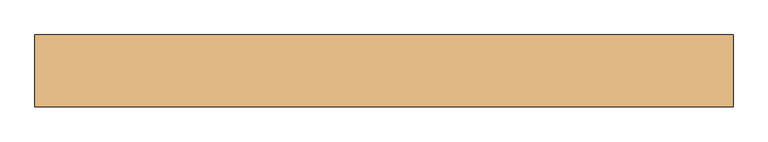
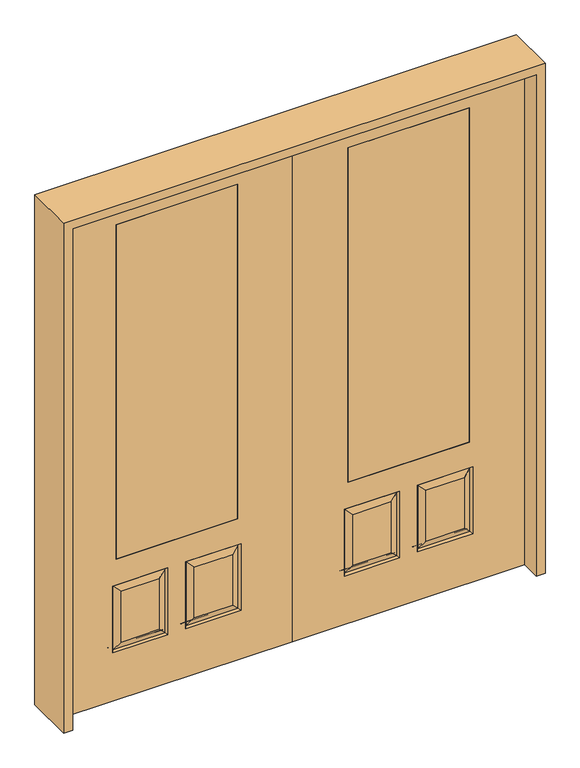
"""IFC4 building model written with IfcOpenShell, lengths in millimetres: door geometry."""

from ifc_helpers import new_model, si_unit, frame, origin, place, context, project, spatial, polyline, outline, extrude, faceted_brep, source, transform, mapped, element, save


def door_dd65ab80(model_context):
    return source(origin(), model_context, "Body", "SolidModel", [
        faceted_brep([(254.0, -20.6375, 685.8), (254.0, 20.6375, 685.8), (254.0, 20.6375, 2311.4), (254.0, -20.6375, 2311.4), (812.8, -20.6375, 685.8), (812.8, 20.6375, 685.8), (613.5727627, -20.6375, 273.8477627), (789.7772373, -20.6375, 273.8477627), (789.7772373, -20.6375, 520.4102373), (613.5727627, -20.6375, 520.4102373), (277.0227627, -20.6375, 273.8477627), (453.2272373, -20.6375, 273.8477627), (453.2272373, -20.6375, 520.4102373), (277.0227627, -20.6375, 520.4102373), (1066.8, -20.6375, 2438.4), (0.0, -20.6375, 2438.4), (0.0, -20.6375, 0.0), (1066.8, -20.6375, 0.0), (812.8, -20.6375, 2311.4), (828.675, -20.6375, 234.95), (574.675, -20.6375, 234.95), (574.675, -20.6375, 559.308), (828.675, -20.6375, 559.308), (492.125, -20.6375, 234.95), (238.125, -20.6375, 234.95), (238.125, -20.6375, 559.308), (492.125, -20.6375, 559.308), (812.8, 20.6375, 2311.4), (453.2272373, 20.6375, 273.8477627), (277.0227627, 20.6375, 273.8477627), (277.0227627, 20.6375, 520.4102373), (453.2272373, 20.6375, 520.4102373), (789.7772373, 20.6375, 273.8477627), (613.5727627, 20.6375, 273.8477627), (613.5727627, 20.6375, 520.4102373), (789.7772373, 20.6375, 520.4102373), (0.0, 20.6375, 2438.4), (1066.8, 20.6375, 2438.4), (1066.8, 20.6375, 0.0), (0.0, 20.6375, 0.0), (238.125, 20.6375, 234.95), (492.125, 20.6375, 234.95), (492.125, 20.6375, 559.308), (238.125, 20.6375, 559.308), (574.675, 20.6375, 234.95), (828.675, 20.6375, 234.95), (828.675, 20.6375, 559.308), (574.675, 20.6375, 559.308), (821.2714647, -11.4399763, 242.3535353), (582.0785353, -11.4399763, 242.3535353), (582.0785353, -11.4399763, 551.9044647), (821.2714647, -11.4399763, 551.9044647), (484.7214647, -11.4399763, 242.3535353), (245.5285353, -11.4399763, 242.3535353), (245.5285353, -11.4399763, 551.9044647), (484.7214647, -11.4399763, 551.9044647), (245.5285353, 11.4399763, 242.3535353), (484.7214647, 11.4399763, 242.3535353), (484.7214647, 11.4399763, 551.9044647), (245.5285353, 11.4399763, 551.9044647), (582.0785353, 11.4399763, 242.3535353), (821.2714647, 11.4399763, 242.3535353), (821.2714647, 11.4399763, 551.9044647), (582.0785353, 11.4399763, 551.9044647)], [[[0, 1, 2, 3]], [[1, 0, 4, 5]], [[6, 7, 8, 9]], [[10, 11, 12, 13]], [[14, 15, 16, 17], [4, 0, 3, 18], [19, 20, 21, 22], [23, 24, 25, 26]], [[5, 4, 18, 27]], [[28, 29, 30, 31]], [[32, 33, 34, 35]], [[36, 37, 38, 39], [1, 5, 27, 2], [40, 41, 42, 43], [44, 45, 46, 47]], [[39, 38, 17, 16]], [[37, 14, 17, 38]], [[15, 36, 39, 16]], [[19, 48, 49, 20]], [[20, 49, 50, 21]], [[51, 22, 21, 50]], [[48, 19, 22, 51]], [[49, 48, 7, 6]], [[7, 48, 51, 8]], [[8, 51, 50, 9]], [[49, 6, 9, 50]], [[52, 53, 24, 23]], [[24, 53, 54, 25]], [[25, 54, 55, 26]], [[52, 23, 26, 55]], [[53, 52, 11, 10]], [[11, 52, 55, 12]], [[54, 13, 12, 55]], [[53, 10, 13, 54]], [[40, 56, 57, 41]], [[41, 57, 58, 42]], [[59, 43, 42, 58]], [[56, 40, 43, 59]], [[57, 56, 29, 28]], [[29, 56, 59, 30]], [[30, 59, 58, 31]], [[57, 28, 31, 58]], [[60, 61, 45, 44]], [[45, 61, 62, 46]], [[46, 62, 63, 47]], [[60, 44, 47, 63]], [[61, 60, 33, 32]], [[33, 60, 63, 34]], [[62, 35, 34, 63]], [[61, 32, 35, 62]], [[3, 2, 27, 18]], [[36, 15, 14, 37]]]),
        extrude(outline(polyline([(254.0, 20.6375), (812.8, 20.6375), (812.8, -20.6375), (254.0, -20.6375), (254.0, 20.6375)])), frame((0.0, 0.0, 685.8), z_axis=(0.0, 0.0, 1.0), x_axis=(1.0, 0.0, 0.0)), (0.0, 0.0, 1.0), 1625.6),
        faceted_brep([(-254.0, -20.6375, 685.8), (-254.0, -20.6375, 2311.4), (-254.0, 20.6375, 2311.4), (-254.0, 20.6375, 685.8), (-812.8, 20.6375, 685.8), (-812.8, -20.6375, 685.8), (-613.5727627, -20.6375, 273.8477627), (-613.5727627, -20.6375, 520.4102373), (-789.7772373, -20.6375, 520.4102373), (-789.7772373, -20.6375, 273.8477627), (-277.0227627, -20.6375, 273.8477627), (-277.0227627, -20.6375, 520.4102373), (-453.2272373, -20.6375, 520.4102373), (-453.2272373, -20.6375, 273.8477627), (-1066.8, -20.6375, 2438.4), (-1066.8, -20.6375, 0.0), (0.0, -20.6375, 0.0), (0.0, -20.6375, 2438.4), (-812.8, -20.6375, 2311.4), (-828.675, -20.6375, 234.95), (-828.675, -20.6375, 559.308), (-574.675, -20.6375, 559.308), (-574.675, -20.6375, 234.95), (-492.125, -20.6375, 234.95), (-492.125, -20.6375, 559.308), (-238.125, -20.6375, 559.308), (-238.125, -20.6375, 234.95), (-812.8, 20.6375, 2311.4), (-453.2272373, 20.6375, 273.8477627), (-453.2272373, 20.6375, 520.4102373), (-277.0227627, 20.6375, 520.4102373), (-277.0227627, 20.6375, 273.8477627), (-789.7772373, 20.6375, 273.8477627), (-789.7772373, 20.6375, 520.4102373), (-613.5727627, 20.6375, 520.4102373), (-613.5727627, 20.6375, 273.8477627), (0.0, 20.6375, 2438.4), (0.0, 20.6375, 0.0), (-1066.8, 20.6375, 0.0), (-1066.8, 20.6375, 2438.4), (-238.125, 20.6375, 234.95), (-238.125, 20.6375, 559.308), (-492.125, 20.6375, 559.308), (-492.125, 20.6375, 234.95), (-574.675, 20.6375, 234.95), (-574.675, 20.6375, 559.308), (-828.675, 20.6375, 559.308), (-828.675, 20.6375, 234.95), (-582.0785353, -11.4399763, 242.3535353), (-821.2714647, -11.4399763, 242.3535353), (-582.0785353, -11.4399763, 551.9044647), (-821.2714647, -11.4399763, 551.9044647), (-484.7214647, -11.4399763, 242.3535353), (-245.5285353, -11.4399763, 242.3535353), (-245.5285353, -11.4399763, 551.9044647), (-484.7214647, -11.4399763, 551.9044647), (-484.7214647, 11.4399763, 242.3535353), (-245.5285353, 11.4399763, 242.3535353), (-484.7214647, 11.4399763, 551.9044647), (-245.5285353, 11.4399763, 551.9044647), (-582.0785353, 11.4399763, 242.3535353), (-821.2714647, 11.4399763, 242.3535353), (-821.2714647, 11.4399763, 551.9044647), (-582.0785353, 11.4399763, 551.9044647)], [[[0, 1, 2, 3]], [[3, 4, 5, 0]], [[6, 7, 8, 9]], [[10, 11, 12, 13]], [[14, 15, 16, 17], [5, 18, 1, 0], [19, 20, 21, 22], [23, 24, 25, 26]], [[4, 27, 18, 5]], [[28, 29, 30, 31]], [[32, 33, 34, 35]], [[36, 37, 38, 39], [3, 2, 27, 4], [40, 41, 42, 43], [44, 45, 46, 47]], [[37, 16, 15, 38]], [[39, 38, 15, 14]], [[17, 16, 37, 36]], [[19, 22, 48, 49]], [[22, 21, 50, 48]], [[51, 50, 21, 20]], [[49, 51, 20, 19]], [[48, 6, 9, 49]], [[9, 8, 51, 49]], [[8, 7, 50, 51]], [[48, 50, 7, 6]], [[52, 23, 26, 53]], [[26, 25, 54, 53]], [[25, 24, 55, 54]], [[52, 55, 24, 23]], [[53, 10, 13, 52]], [[13, 12, 55, 52]], [[54, 55, 12, 11]], [[53, 54, 11, 10]], [[40, 43, 56, 57]], [[43, 42, 58, 56]], [[59, 58, 42, 41]], [[57, 59, 41, 40]], [[56, 28, 31, 57]], [[31, 30, 59, 57]], [[30, 29, 58, 59]], [[56, 58, 29, 28]], [[60, 44, 47, 61]], [[47, 46, 62, 61]], [[46, 45, 63, 62]], [[60, 63, 45, 44]], [[61, 32, 35, 60]], [[35, 34, 63, 60]], [[62, 63, 34, 33]], [[61, 62, 33, 32]], [[1, 18, 27, 2]], [[36, 39, 14, 17]]]),
        extrude(outline(polyline([(-254.0, 20.6375), (-254.0, -20.6375), (-812.8, -20.6375), (-812.8, 20.6375), (-254.0, 20.6375)])), frame((0.0, 0.0, 685.8), z_axis=(0.0, 0.0, 1.0), x_axis=(1.0, 0.0, 0.0)), (0.0, 0.0, 1.0), 1625.6),
        extrude(outline(polyline([(2479.675, -1108.075), (0.0, -1108.075), (0.0, -1066.8), (2438.4, -1066.8), (2438.4, 1066.8), (0.0, 1066.8), (0.0, 1108.075), (2479.675, 1108.075), (2479.675, -1108.075)])), frame((0.0, -114.3, 0.0), z_axis=(0.0, 1.0, 0.0), x_axis=(0.0, 0.0, 1.0)), (0.0, 0.0, 1.0), 228.6),
    ])


if __name__ == "__main__":
    model = new_model("IFC4")
    model_context = context("Model", 3, world=origin())
    ifc_project = project(units=[si_unit("LENGTHUNIT", "METRE", prefix="MILLI")], contexts=[model_context])
    site = spatial("IfcSite", under=ifc_project)
    building = spatial("IfcBuilding", under=site)
    placement = place(None, origin())
    door_shape = door_dd65ab80(model_context)
    element("IfcDoor", 1, at=placement, inside=building, context=model_context, shape_type="MappedRepresentation", body=[
        mapped(door_shape, transform((0.0, 0.0, 0.0), x_axis=(1.0, 0.0, 0.0), y_axis=(0.0, 1.0, 0.0), z_axis=(0.0, 0.0, 1.0))),
    ])
    save(model, "model.ifc")
